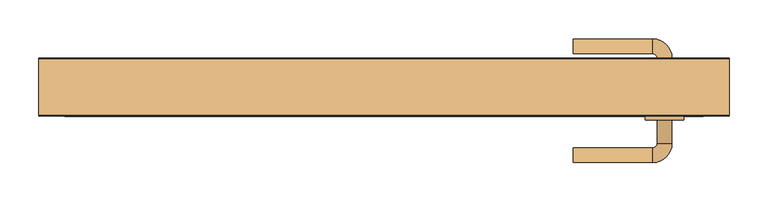
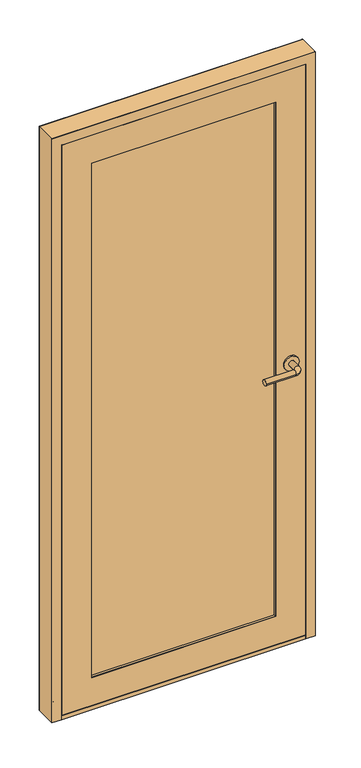
"""IFC4 building model written with IfcOpenShell, lengths in millimetres: door geometry."""

from ifc_helpers import new_model, si_unit, point, frame, frame_2d, origin, place, context, project, spatial, polyline, circle_curve, ellipse_curve, trimmed, segment, composite_curve, outline, extrude, faceted_brep, source, transform, mapped, element, save
from ifc_brep_helpers import plane_surface, cylinder_surface, revolved_surface, advanced_brep


def door_c67e03dd(model_context):
    return source(origin(), model_context, "Body", "SolidModel", [
        faceted_brep([(410.0, -95.0, 12.0), (-410.0, -95.0, 12.0), (-410.0, -55.0, 12.0), (-398.0, -55.0, 12.0), (-398.0, -20.0, 12.0), (398.0, -20.0, 12.0), (398.0, -55.0, 12.0), (410.0, -55.0, 12.0), (-398.0, -20.0, 26.0), (398.0, -20.0, 26.0), (-398.0, -30.0, 34.0), (398.0, -30.0, 34.0), (-398.0, -55.0, 34.0), (398.0, -55.0, 34.0), (-398.0, -55.0, 26.0), (398.0, -55.0, 26.0), (410.0, -55.0, 26.0), (-410.0, -55.0, 26.0), (-410.0, -95.0, 26.0), (410.0, -95.0, 26.0)], [[[0, 1, 2, 3, 4, 5, 6, 7]], [[5, 4, 8, 9]], [[9, 8, 10, 11]], [[11, 10, 12, 13]], [[13, 12, 14, 15]], [[16, 15, 14, 17, 18, 19]], [[19, 18, 1, 0]], [[16, 19, 0, 7]], [[7, 6, 15, 16]], [[6, 5, 9, 11, 13, 15]], [[14, 12, 10, 8, 4, 3]], [[3, 2, 17, 14]], [[2, 1, 18, 17]]]),
        advanced_brep(
        [(369.6211583, -95.0, 1012.0), (350.6211583, -95.0, 1012.0), (350.6211583, -130.0, 1012.0), (369.6211583, -130.0, 1012.0), (345.1211583, -135.5, 1012.0), (345.1211583, -154.5, 1012.0), (243.1211583, -154.5, 1012.0), (243.1211583, -135.5, 1012.0)],
        [
            (0, 1, circle_curve(frame((360.1211583, -95.0, 1012.0), z_axis=(0.0, 1.0, 0.0), x_axis=(-1.0, 0.0, 0.0)), 9.5)),
            (1, 0, circle_curve(frame((360.1211583, -95.0, 1012.0), z_axis=(0.0, 1.0, 0.0), x_axis=(-1.0, 0.0, 0.0)), 9.5)),
            (1, 2),
            (2, 3, circle_curve(frame((360.1211583, -130.0, 1012.0), z_axis=(0.0, 1.0, 0.0), x_axis=(-1.0, 0.0, 0.0)), 9.5)),
            (3, 0),
            (3, 2, circle_curve(frame((360.1211583, -130.0, 1012.0), z_axis=(0.0, 1.0, 0.0), x_axis=(-1.0, 0.0, 0.0)), 9.5)),
            (4, 5, circle_curve(frame((345.1211583, -145.0, 1012.0), z_axis=(1.0, 0.0, 0.0), x_axis=(0.0, 1.0, 0.0)), 9.5)),
            (5, 3, circle_curve(frame((345.1211583, -130.0, 1012.0), z_axis=(0.0, 0.0, 1.0), x_axis=(1.0, 0.0, 0.0)), 24.5)),
            (2, 4, circle_curve(frame((345.1211583, -130.0, 1012.0), z_axis=(0.0, 0.0, -1.0), x_axis=(1.0, 0.0, 0.0)), 5.5)),
            (5, 4, circle_curve(frame((345.1211583, -145.0, 1012.0), z_axis=(1.0, 0.0, 0.0), x_axis=(0.0, 1.0, 0.0)), 9.5)),
            (6, 7, circle_curve(frame((243.1211583, -145.0, 1012.0), z_axis=(-1.0, 0.0, 0.0), x_axis=(0.0, 1.0, 0.0)), 9.5)),
            (7, 6, circle_curve(frame((243.1211583, -145.0, 1012.0), z_axis=(-1.0, 0.0, 0.0), x_axis=(0.0, 1.0, 0.0)), 9.5)),
            (4, 7),
            (6, 5),
        ],
        [
            plane_surface(frame((360.1211583, -95.0, 12.0), z_axis=(0.0, 1.0, 0.0), x_axis=(0.0, 0.0, -1.0))),
            cylinder_surface(frame((360.1211583, -95.0, 1012.0), z_axis=(0.0, 1.0, 0.0), x_axis=(-1.0, 0.0, 0.0)), 9.5),
            revolved_surface(trimmed(ellipse_curve(frame((360.1211583, -130.0, 1012.0), z_axis=(0.0, -1.0, 0.0), x_axis=(-1.0, 0.0, 0.0)), 9.5, 9.5), [point((369.6211583, -130.0, 1012.0))], [point((350.6211583, -130.0, 1012.0))], True, "CARTESIAN"), (345.1211583, -130.0, 12.0), (0.0, 0.0, 1.0)),
            revolved_surface(trimmed(ellipse_curve(frame((360.1211583, -130.0, 1012.0), z_axis=(0.0, -1.0, 0.0), x_axis=(-1.0, 0.0, 0.0)), 9.5, 9.5), [point((350.6211583, -130.0, 1012.0))], [point((369.6211583, -130.0, 1012.0))], True, "CARTESIAN"), (345.1211583, -130.0, 12.0), (0.0, 0.0, 1.0)),
            plane_surface(frame((243.1211583, -145.0, 12.0), z_axis=(-1.0, 0.0, 0.0), x_axis=(0.0, 0.0, -1.0))),
            cylinder_surface(frame((345.1211583, -145.0, 1012.0), z_axis=(1.0, 0.0, 0.0), x_axis=(0.0, 1.0, 0.0)), 9.5),
        ],
        [
            (0, [[1, 2]]),
            (1, [[3, 4, 5, -2]]),
            (1, [[-5, 6, -3, -1]]),
            (2, [[7, 8, -4, 9]]),
            (3, [[10, -9, -6, -8]]),
            (4, [[11, 12]]),
            (5, [[13, -11, 14, -7]]),
            (5, [[-14, -12, -13, -10]]),
        ],
    ),
        extrude(outline(composite_curve([segment(trimmed(circle_curve(frame_2d((1012.0, 360.1211583)), 25.0), [point((1012.0, 385.1211583))], [point((1012.0, 335.1211583))], False, "CARTESIAN"), True, "CONTINUOUS"), segment(trimmed(circle_curve(frame_2d((1012.0, 360.1211583)), 25.0), [point((1012.0, 335.1211583))], [point((1012.0, 385.1211583))], False, "CARTESIAN"), True, "CONTINUOUS")], self_intersect=False), holes=[composite_curve([segment(trimmed(circle_curve(frame_2d((1012.0, 360.1211583)), 9.5), [point((1012.0, 369.6211583))], [point((1012.0, 350.6211583))], True, "CARTESIAN"), True, "CONTINUOUS"), segment(trimmed(circle_curve(frame_2d((1012.0, 360.1211583)), 9.5), [point((1012.0, 350.6211583))], [point((1012.0, 369.6211583))], True, "CARTESIAN"), True, "CONTINUOUS")], self_intersect=False)]), frame((0.0, -100.0, 0.0), z_axis=(0.0, 1.0, 0.0), x_axis=(0.0, 0.0, 1.0)), (0.0, 0.0, 1.0), 5.0),
        advanced_brep(
        [(369.6211583, -55.0, 1012.0), (350.6211583, -55.0, 1012.0), (369.6211583, -20.0, 1012.0), (350.6211583, -20.0, 1012.0), (345.1211583, -14.5, 1012.0), (345.1211583, 4.5, 1012.0), (243.1211583, 4.5, 1012.0), (243.1211583, -14.5, 1012.0)],
        [
            (0, 1, circle_curve(frame((360.1211583, -55.0, 1012.0), z_axis=(0.0, -1.0, 0.0), x_axis=(-1.0, 0.0, 0.0)), 9.5)),
            (1, 0, circle_curve(frame((360.1211583, -55.0, 1012.0), z_axis=(0.0, -1.0, 0.0), x_axis=(-1.0, 0.0, 0.0)), 9.5)),
            (0, 2),
            (2, 3, circle_curve(frame((360.1211583, -20.0, 1012.0), z_axis=(0.0, -1.0, 0.0), x_axis=(-1.0, 0.0, 0.0)), 9.5)),
            (3, 1),
            (3, 2, circle_curve(frame((360.1211583, -20.0, 1012.0), z_axis=(0.0, -1.0, 0.0), x_axis=(-1.0, 0.0, 0.0)), 9.5)),
            (4, 3, circle_curve(frame((345.1211583, -20.0, 1012.0), z_axis=(0.0, 0.0, -1.0), x_axis=(1.0, 0.0, 0.0)), 5.5)),
            (2, 5, circle_curve(frame((345.1211583, -20.0, 1012.0), z_axis=(0.0, 0.0, 1.0), x_axis=(1.0, 0.0, 0.0)), 24.5)),
            (5, 4, circle_curve(frame((345.1211583, -5.0, 1012.0), z_axis=(1.0, 0.0, 0.0), x_axis=(0.0, -1.0, 0.0)), 9.5)),
            (4, 5, circle_curve(frame((345.1211583, -5.0, 1012.0), z_axis=(1.0, 0.0, 0.0), x_axis=(0.0, -1.0, 0.0)), 9.5)),
            (6, 7, circle_curve(frame((243.1211583, -5.0, 1012.0), z_axis=(-1.0, 0.0, 0.0), x_axis=(0.0, -1.0, 0.0)), 9.5)),
            (7, 6, circle_curve(frame((243.1211583, -5.0, 1012.0), z_axis=(-1.0, 0.0, 0.0), x_axis=(0.0, -1.0, 0.0)), 9.5)),
            (5, 6),
            (7, 4),
        ],
        [
            plane_surface(frame((360.1211583, -55.0, 12.0), z_axis=(0.0, -1.0, 0.0), x_axis=(0.0, 0.0, -1.0))),
            cylinder_surface(frame((360.1211583, -55.0, 1012.0), z_axis=(0.0, -1.0, 0.0), x_axis=(-1.0, 0.0, 0.0)), 9.5),
            revolved_surface(trimmed(ellipse_curve(frame((360.1211583, -20.0, 1012.0), z_axis=(0.0, -1.0, 0.0), x_axis=(-1.0, 0.0, 0.0)), 9.5, 9.5), [point((369.6211583, -20.0, 1012.0))], [point((350.6211583, -20.0, 1012.0))], True, "CARTESIAN"), (345.1211583, -20.0, 12.0), (0.0, 0.0, 1.0)),
            revolved_surface(trimmed(ellipse_curve(frame((360.1211583, -20.0, 1012.0), z_axis=(0.0, -1.0, 0.0), x_axis=(-1.0, 0.0, 0.0)), 9.5, 9.5), [point((350.6211583, -20.0, 1012.0))], [point((369.6211583, -20.0, 1012.0))], True, "CARTESIAN"), (345.1211583, -20.0, 12.0), (0.0, 0.0, 1.0)),
            plane_surface(frame((243.1211583, -5.0, 12.0), z_axis=(-1.0, 0.0, 0.0), x_axis=(0.0, 0.0, -1.0))),
            cylinder_surface(frame((345.1211583, -5.0, 1012.0), z_axis=(1.0, 0.0, 0.0), x_axis=(0.0, -1.0, 0.0)), 9.5),
        ],
        [
            (0, [[1, 2]]),
            (1, [[-1, 3, 4, 5]]),
            (1, [[-2, -5, 6, -3]]),
            (2, [[7, -4, 8, 9]]),
            (3, [[-8, -6, -7, 10]]),
            (4, [[11, 12]]),
            (5, [[-9, 13, -12, 14]]),
            (5, [[-10, -14, -11, -13]]),
        ],
    ),
        extrude(outline(composite_curve([segment(trimmed(circle_curve(frame_2d((1012.0, 360.1211583)), 25.0), [point((1012.0, 385.1211583))], [point((1012.0, 335.1211583))], False, "CARTESIAN"), True, "CONTINUOUS"), segment(trimmed(circle_curve(frame_2d((1012.0, 360.1211583)), 25.0), [point((1012.0, 335.1211583))], [point((1012.0, 385.1211583))], False, "CARTESIAN"), True, "CONTINUOUS")], self_intersect=False), holes=[composite_curve([segment(trimmed(circle_curve(frame_2d((1012.0, 360.1211583)), 9.5), [point((1012.0, 369.6211583))], [point((1012.0, 350.6211583))], True, "CARTESIAN"), True, "CONTINUOUS"), segment(trimmed(circle_curve(frame_2d((1012.0, 360.1211583)), 9.5), [point((1012.0, 350.6211583))], [point((1012.0, 369.6211583))], True, "CARTESIAN"), True, "CONTINUOUS")], self_intersect=False)]), frame((0.0, -55.0, 0.0), z_axis=(0.0, 1.0, 0.0), x_axis=(0.0, 0.0, 1.0)), (0.0, 0.0, 1.0), 5.0),
        extrude(outline(polyline([(2055.0, -410.0), (27.0, -410.0), (27.0, 410.0), (2055.0, 410.0), (2055.0, -410.0)]), holes=[polyline([(1955.0, -310.0), (1955.0, 310.0), (127.0, 310.0), (127.0, -310.0), (1955.0, -310.0)])]), frame((0.0, -95.0, 0.0), z_axis=(0.0, 1.0, 0.0), x_axis=(0.0, 0.0, 1.0)), (0.0, 0.0, 1.0), 1.0),
        extrude(outline(polyline([(2055.0, 410.0), (2055.0, -410.0), (27.0, -410.0), (27.0, 410.0), (2055.0, 410.0)]), holes=[polyline([(1955.0, -310.0), (1955.0, 310.0), (127.0, 310.0), (127.0, -310.0), (1955.0, -310.0)])]), frame((0.0, -56.0, 0.0), z_axis=(0.0, 1.0, 0.0), x_axis=(0.0, 0.0, 1.0)), (0.0, 0.0, 1.0), 1.0),
        extrude(outline(polyline([(-310.0, -85.0), (-310.0, -65.0), (310.0, -65.0), (310.0, -85.0), (-310.0, -85.0)])), frame((0.0, 0.0, 127.0), z_axis=(0.0, 0.0, 1.0), x_axis=(1.0, 0.0, 0.0)), (0.0, 0.0, 1.0), 1828.0),
        extrude(outline(polyline([(2055.0, 410.0), (2055.0, -410.0), (27.0, -410.0), (27.0, 410.0), (2055.0, 410.0)]), holes=[polyline([(127.0, 310.0), (127.0, -310.0), (1955.0, -310.0), (1955.0, 310.0), (127.0, 310.0)])]), frame((0.0, -94.0, 0.0), z_axis=(0.0, 1.0, 0.0), x_axis=(0.0, 0.0, 1.0)), (0.0, 0.0, 1.0), 38.0),
        extrude(outline(polyline([(2088.0, 443.0), (2088.0, -443.0), (12.0, -443.0), (12.0, -410.0), (2055.0, -410.0), (2055.0, 410.0), (12.0, 410.0), (12.0, 443.0), (2088.0, 443.0)])), frame((0.0, -95.0, 0.0), z_axis=(0.0, 1.0, 0.0), x_axis=(0.0, 0.0, 1.0)), (0.0, 0.0, 1.0), 1.0),
        extrude(outline(polyline([(2088.0, -443.0), (12.0, -443.0), (12.0, -398.0), (2043.0, -398.0), (2043.0, 398.0), (12.0, 398.0), (12.0, 443.0), (2088.0, 443.0), (2088.0, -443.0)])), frame((0.0, -21.0, 0.0), z_axis=(0.0, 1.0, 0.0), x_axis=(0.0, 0.0, 1.0)), (0.0, 0.0, 1.0), 1.0),
        faceted_brep([(410.0, -94.0, 12.0), (410.0, -55.0, 12.0), (398.0, -55.0, 12.0), (398.0, -21.0, 12.0), (443.0, -21.0, 12.0), (443.0, -94.0, 12.0), (443.0, -94.0, 2088.0), (-443.0, -94.0, 2088.0), (-443.0, -94.0, 12.0), (-410.0, -94.0, 12.0), (-410.0, -94.0, 2055.0), (410.0, -94.0, 2055.0), (443.0, -21.0, 2088.0), (398.0, -21.0, 2043.0), (-398.0, -21.0, 2043.0), (-398.0, -21.0, 12.0), (-443.0, -21.0, 12.0), (-443.0, -21.0, 2088.0), (398.0, -55.0, 2043.0), (410.0, -55.0, 2055.0), (-410.0, -55.0, 2055.0), (-410.0, -55.0, 12.0), (-398.0, -55.0, 12.0), (-398.0, -55.0, 2043.0)], [[[0, 1, 2, 3, 4, 5]], [[5, 6, 7, 8, 9, 10, 11, 0]], [[4, 12, 6, 5]], [[3, 13, 14, 15, 16, 17, 12, 4]], [[2, 18, 13, 3]], [[1, 19, 20, 21, 22, 23, 18, 2]], [[0, 11, 19, 1]], [[10, 9, 21, 20]], [[9, 8, 16, 15, 22, 21]], [[17, 16, 8, 7]], [[23, 22, 15, 14]], [[12, 17, 7, 6]], [[18, 23, 14, 13]], [[11, 10, 20, 19]]]),
    ])


if __name__ == "__main__":
    model = new_model("IFC4")
    model_context = context("Model", 3, world=origin())
    ifc_project = project(units=[si_unit("LENGTHUNIT", "METRE", prefix="MILLI")], contexts=[model_context])
    site = spatial("IfcSite", under=ifc_project)
    building = spatial("IfcBuilding", under=site)
    placement = place(None, origin())
    door_shape = door_c67e03dd(model_context)
    element("IfcDoor", 1, at=placement, inside=building, context=model_context, shape_type="MappedRepresentation", body=[
        mapped(door_shape, transform((0.0, 0.0, 0.0), x_axis=(1.0, 0.0, 0.0), y_axis=(0.0, 1.0, 0.0), z_axis=(0.0, 0.0, 1.0))),
    ])
    save(model, "model.ifc")
